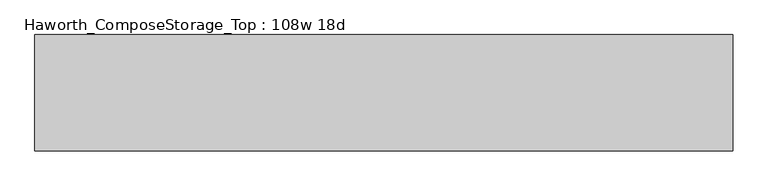
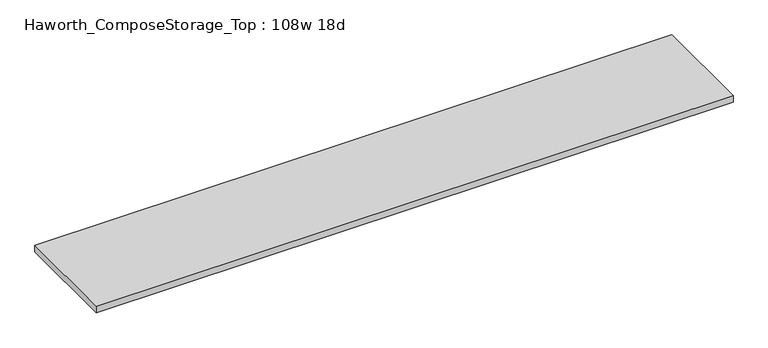
"""IFC4 building model written with IfcOpenShell, lengths in millimetres: furniture geometry, Haworth_ComposeStorage_Top : 108w 18d."""

from ifc_helpers import new_model, si_unit, frame, origin, place, context, project, spatial, polyline, outline, extrude, source, transform, mapped, element, save


def haworth_composestorage_top_108w_18d_31d68da0(model_context):
    return source(origin(), model_context, "Body", "SweptSolid", [
        extrude(outline(polyline([(1371.6, 228.6), (1371.6, -228.6), (-1371.6, -228.6), (-1371.6, 228.6), (1371.6, 228.6)])), frame((0.0, 0.0, 706.4375), z_axis=(0.0, 0.0, 1.0), x_axis=(1.0, 0.0, 0.0)), (0.0, 0.0, 1.0), 30.1625),
    ])


if __name__ == "__main__":
    model = new_model("IFC4")
    model_context = context("Model", 3, world=origin())
    ifc_project = project(units=[si_unit("LENGTHUNIT", "METRE", prefix="MILLI")], contexts=[model_context])
    site = spatial("IfcSite", under=ifc_project)
    building = spatial("IfcBuilding", under=site)
    placement = place(None, origin())
    haworth_composestorage_top_108w_18d_shape = haworth_composestorage_top_108w_18d_31d68da0(model_context)
    element("IfcFurniture", 1, ObjectType="Haworth_ComposeStorage_Top : 108w 18d", at=placement, inside=building, context=model_context, shape_type="MappedRepresentation", body=[
        mapped(haworth_composestorage_top_108w_18d_shape, transform((0.0, 0.0, 0.0), x_axis=(1.0, 0.0, 0.0), y_axis=(0.0, 1.0, 0.0), z_axis=(0.0, 0.0, 1.0))),
    ])
    save(model, "model.ifc")
